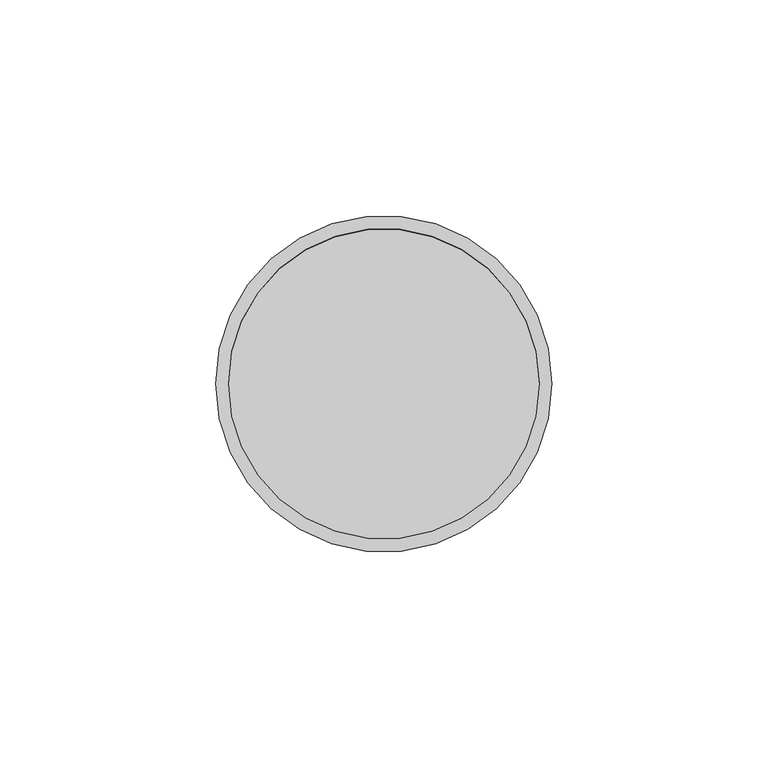
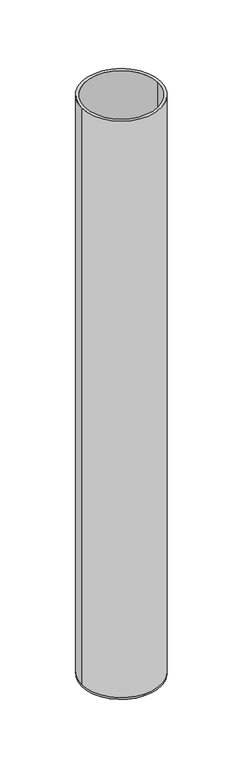
"""IFC4 building model written with IfcOpenShell, lengths in millimetres: beam geometry."""

import ifcopenshell
import ifcopenshell.guid

model = None  # the IFC model being written
_history = None  # IfcOwnerHistory: only IFC2X3 demands one
_inside = {}  # id of a spatial element -> (the spatial element, [elements in it])
_under = {}  # id of a project, library or spatial element -> (it, [spatial elements below it])
_declared = {}  # id of a project -> (the project, [libraries it declares])
_typed = {}  # id of a type object -> (the type object, [elements of that type])
_made_of = {}  # id of a material, layer set ... -> (it, [elements and type objects made of it])


def new_model(schema):
    """Start an empty IFC model of exactly this schema.

    Asked for "IFC4X3", IfcOpenShell would pick the latest addendum, in which some entities
    have other attributes; the version numbers below select the first issue.
    IFC2X3 requires an IfcOwnerHistory on every rooted entity: one is made here for all.
    """
    global model, _history
    if schema == "IFC4X3":
        model = ifcopenshell.file(schema_version=(4, 3, 0, 0))
    else:
        model = ifcopenshell.file(schema=schema)
    _inside.clear()
    _under.clear()
    _declared.clear()
    _typed.clear()
    _made_of.clear()
    _history = None
    if model.schema == "IFC2X3":
        org = make("IfcOrganization", Name="unknown")
        user = make(
            "IfcPersonAndOrganization",
            ThePerson=make("IfcPerson", FamilyName="unknown"),
            TheOrganization=org,
        )
        app = make(
            "IfcApplication",
            ApplicationDeveloper=org,
            Version="unknown",
            ApplicationFullName="unknown",
            ApplicationIdentifier="unknown",
        )
        _history = make(
            "IfcOwnerHistory",
            OwningUser=user,
            OwningApplication=app,
            ChangeAction="ADDED",
            CreationDate=0,
        )
    return model


def make(cls, **values):
    """One entity of the class cls with the attributes given. An attribute that is None is left unset."""
    return model.create_entity(
        cls, **{name: value for name, value in values.items() if value is not None}
    )


def rooted(cls, **values):
    """An entity with a GlobalId (a new one), such as an element, a storey or a relation."""
    return make(cls, GlobalId=ifcopenshell.guid.new(), OwnerHistory=_history, **values)


def si_unit(unit_type, name, prefix=None):
    """IfcSIUnit, for example si_unit("LENGTHUNIT", "METRE", prefix="MILLI")."""
    return make("IfcSIUnit", UnitType=unit_type, Prefix=prefix, Name=name)


def assignment(units):
    """IfcUnitAssignment: the units of a project."""
    return None if units is None else make("IfcUnitAssignment", Units=units)


def point(xyz):
    """IfcCartesianPoint."""
    return None if xyz is None else make("IfcCartesianPoint", Coordinates=xyz)


def direction(xyz):
    """IfcDirection."""
    return None if xyz is None else make("IfcDirection", DirectionRatios=xyz)


def frame(location, z_axis=None, x_axis=None):
    """IfcAxis2Placement3D, a coordinate frame: its origin and axes. An axis left out is left unset."""
    return make(
        "IfcAxis2Placement3D",
        Location=point(location),
        Axis=direction(z_axis),
        RefDirection=direction(x_axis),
    )


def origin():
    """The frame at (0, 0, 0) with its axes left unset."""
    return frame((0.0, 0.0, 0.0))


def place(relative_to, where):
    """IfcLocalPlacement: puts the frame where relative to a parent placement (None: the world)."""
    return make(
        "IfcLocalPlacement", PlacementRelTo=relative_to, RelativePlacement=where
    )


def context(
    kind, dimensions, precision=None, world=None, true_north=None, identifier=None
):
    """IfcGeometricRepresentationContext, for example the 3D "Model" context."""
    return make(
        "IfcGeometricRepresentationContext",
        ContextIdentifier=identifier,
        ContextType=kind,
        CoordinateSpaceDimension=dimensions,
        Precision=precision,
        WorldCoordinateSystem=world,
        TrueNorth=true_north,
    )


def project(units=None, contexts=None):
    """IfcProject with its units and contexts."""
    return rooted(
        "IfcProject",
        Name="project",
        RepresentationContexts=contexts,
        UnitsInContext=assignment(units),
    )


def spatial(cls, under=None, at=None, **own):
    """A site, building, storey or space (cls), placed at a placement, below another one or the project."""
    s = rooted(cls, ObjectPlacement=at, **own)
    if under is not None:
        _under.setdefault(under.id(), (under, []))[1].append(s)
    return s


def polyline(points):
    """IfcPolyline through the points."""
    return make("IfcPolyline", Points=[point(p) for p in points])


def circle_curve(where, radius):
    """IfcCircle in the frame where."""
    return make("IfcCircle", Position=where, Radius=radius)


def shape(context_of_items, identifier, shape_type, items):
    """IfcShapeRepresentation: the items that make up one representation, for example the "Body"."""
    return make(
        "IfcShapeRepresentation",
        ContextOfItems=context_of_items,
        RepresentationIdentifier=identifier,
        RepresentationType=shape_type,
        Items=items,
    )


def source(mapping_origin, context_of_items, identifier, shape_type, items):
    """IfcRepresentationMap: a shape defined once, which mapped items show again and again."""
    return make(
        "IfcRepresentationMap",
        MappingOrigin=mapping_origin,
        MappedRepresentation=shape(context_of_items, identifier, shape_type, items),
    )


def transform(
    local_origin,
    x_axis=None,
    y_axis=None,
    z_axis=None,
    scale=None,
    scale2=None,
    scale3=None,
    uniform=True,
):
    """IfcCartesianTransformationOperator3D, or its non-uniform kind. x_axis, y_axis, z_axis: its Axis1, 2, 3."""
    if uniform:
        return make(
            "IfcCartesianTransformationOperator3D",
            Axis1=direction(x_axis),
            Axis2=direction(y_axis),
            LocalOrigin=point(local_origin),
            Scale=scale,
            Axis3=direction(z_axis),
        )
    return make(
        "IfcCartesianTransformationOperator3DnonUniform",
        Axis1=direction(x_axis),
        Axis2=direction(y_axis),
        LocalOrigin=point(local_origin),
        Scale=scale,
        Axis3=direction(z_axis),
        Scale2=scale2,
        Scale3=scale3,
    )


def mapped(mapping_source, mapping_target):
    """IfcMappedItem: shows the shape of a source again, moved by a transform."""
    return make(
        "IfcMappedItem", MappingSource=mapping_source, MappingTarget=mapping_target
    )


def made_of(thing, what):
    """Note that an element or type object is made of a material, layer set ...; save() writes the relation."""
    if what is not None:
        _made_of.setdefault(what.id(), (what, []))[1].append(thing)
    return thing


def element(
    cls,
    number,
    at=None,
    inside=None,
    cuts=None,
    type_object=None,
    material=None,
    context=None,
    identifier="Body",
    shape_type=None,
    held_by="IfcProductDefinitionShape",
    body=None,
    shapes=None,
    **own,
):
    """One element of the class cls, such as IfcWall. Its Tag is "e" and its number.

    at: its placement. inside: the storey or other place that contains it. cuts: it is an
    opening in that element (IfcRelVoidsElement). A single representation is given by context,
    identifier, shape_type and body (its items); several are given by shapes. held_by: the class
    of the entity that holds the representations. save() writes the other relations.
    """
    e = rooted(cls, Tag="e%d" % number, ObjectPlacement=at, **own)
    if body is not None:
        shapes = [shape(context, identifier, shape_type, body)]
    if shapes is not None:
        e.Representation = make(held_by, Representations=shapes)
    if inside is not None:
        _inside.setdefault(inside.id(), (inside, []))[1].append(e)
    if cuts is not None:
        rooted(
            "IfcRelVoidsElement", RelatingBuildingElement=cuts, RelatedOpeningElement=e
        )
    if type_object is not None:
        _typed.setdefault(type_object.id(), (type_object, []))[1].append(e)
    return made_of(e, material)


def aggregate(whole, parts):
    """IfcRelAggregates: a whole, such as a stair, and the parts it consists of."""
    return rooted("IfcRelAggregates", RelatingObject=whole, RelatedObjects=parts)


def save(model, path):
    """Write the relations noted so far, then the file.

    IfcRelAggregates (storeys below a building ...), IfcRelContainedInSpatialStructure (elements
    in a storey), IfcRelDefinesByType, IfcRelAssociatesMaterial and IfcRelDeclares: one each for
    every whole, place, type object, material and project.
    """
    for whole, parts in _under.values():
        aggregate(whole, parts)
    for where, things in _inside.values():
        rooted(
            "IfcRelContainedInSpatialStructure",
            RelatedElements=things,
            RelatingStructure=where,
        )
    for kind, things in _typed.values():
        rooted("IfcRelDefinesByType", RelatedObjects=things, RelatingType=kind)
    for what, things in _made_of.values():
        rooted("IfcRelAssociatesMaterial", RelatedObjects=things, RelatingMaterial=what)
    for by, libraries in _declared.values():
        rooted("IfcRelDeclares", RelatingContext=by, RelatedDefinitions=libraries)
    model.write(path)


def plane_surface(at):
    """IfcPlane: the flat surface through the origin of the frame at, square to its z axis."""
    return make("IfcPlane", Position=at)


def cylinder_surface(at, radius):
    """IfcCylindricalSurface: all points at the distance radius from the z axis of the frame at."""
    return make("IfcCylindricalSurface", Position=at, Radius=radius)


def revolved_surface(curve, axis_point, axis_direction):
    """IfcSurfaceOfRevolution: the curve turned about the line through axis_point along axis_direction."""
    return make(
        "IfcSurfaceOfRevolution",
        SweptCurve=make("IfcArbitraryOpenProfileDef", ProfileType="CURVE", Curve=curve),
        AxisPosition=make("IfcAxis1Placement", Location=point(axis_point), Axis=direction(axis_direction)),
    )


def advanced_brep(points, edges, surfaces, faces):
    """IfcAdvancedBrep: a solid bounded by faces that lie on surfaces and meet in shared edges.

    An edge is (start, end): straight between two places in points (the first is 0);
    or (start, end, curve); or (start, end, curve, False) where it runs against its curve.
    A face is (place in surfaces, loops), or (place, loops, False) where it looks against
    its surface's normal. A loop lists edges by number (the first is 1), with a minus sign
    where the edge is run from its end to its start. The first loop is the outer one.
    """
    corners = [point(p) for p in points]
    vertices = [make("IfcVertexPoint", VertexGeometry=c) for c in corners]
    made = []
    for start, end, *more in edges:
        made.append(
            make(
                "IfcEdgeCurve",
                EdgeStart=vertices[start],
                EdgeEnd=vertices[end],
                EdgeGeometry=more[0] if more else make("IfcPolyline", Points=[corners[start], corners[end]]),
                SameSense=more[1] if len(more) > 1 else True,
            )
        )
    hull = []
    for where, loops, *sense in faces:
        bounds = []
        for j, loop in enumerate(loops):
            ring = [make("IfcOrientedEdge", EdgeElement=made[abs(k) - 1], Orientation=k > 0) for k in loop]
            bounds.append(
                make(
                    "IfcFaceOuterBound" if j == 0 else "IfcFaceBound",
                    Bound=make("IfcEdgeLoop", EdgeList=ring),
                    Orientation=True,
                )
            )
        hull.append(make("IfcAdvancedFace", Bounds=bounds, FaceSurface=surfaces[where], SameSense=sense[0] if sense else True))
    return make("IfcAdvancedBrep", Outer=make("IfcClosedShell", CfsFaces=hull))


def beam_afc0ba4a(model_context):
    return source(origin(), model_context, "Body", "AdvancedBrep", [
        advanced_brep(
        [(39.0, 0.0, 0.0), (-39.0, 0.0, 0.0), (36.0, 0.0, 0.0), (-36.0, 0.0, 0.0), (36.0, 0.0, -598.0), (-36.0, 0.0, -598.0), (39.0, 0.0, -598.0), (0.0, 39.0, -598.0), (-39.0, 0.0, -598.0), (0.0, -39.0, -598.0), (0.0, 39.0, -600.0), (0.0, -39.0, -600.0)],
        [
            (0, 1, circle_curve(frame((0.0, 0.0, 0.0), z_axis=(0.0, 0.0, 1.0), x_axis=(-1.0, 0.0, 0.0)), 39.0)),
            (1, 0, circle_curve(frame((0.0, 0.0, 0.0), z_axis=(0.0, 0.0, 1.0), x_axis=(-1.0, 0.0, 0.0)), 39.0)),
            (2, 3, circle_curve(frame((0.0, 0.0, 0.0), z_axis=(0.0, 0.0, -1.0), x_axis=(-1.0, 0.0, 0.0)), 36.0)),
            (3, 2, circle_curve(frame((0.0, 0.0, 0.0), z_axis=(0.0, 0.0, -1.0), x_axis=(-1.0, 0.0, 0.0)), 36.0)),
            (2, 4),
            (4, 5, circle_curve(frame((0.0, 0.0, -598.0), z_axis=(0.0, 0.0, -1.0), x_axis=(-1.0, 0.0, 0.0)), 36.0)),
            (5, 3),
            (5, 4, circle_curve(frame((0.0, 0.0, -598.0), z_axis=(0.0, 0.0, -1.0), x_axis=(-1.0, 0.0, 0.0)), 36.0)),
            (0, 6),
            (6, 7, circle_curve(frame((0.0, 0.0, -598.0), z_axis=(0.0, 0.0, 1.0), x_axis=(-1.0, 0.0, 0.0)), 39.0)),
            (7, 8, circle_curve(frame((0.0, 0.0, -598.0), z_axis=(0.0, 0.0, 1.0), x_axis=(-1.0, 0.0, 0.0)), 39.0)),
            (8, 1),
            (8, 9, circle_curve(frame((0.0, 0.0, -598.0), z_axis=(0.0, 0.0, 1.0), x_axis=(-1.0, 0.0, 0.0)), 39.0)),
            (9, 6, circle_curve(frame((0.0, 0.0, -598.0), z_axis=(0.0, 0.0, 1.0), x_axis=(-1.0, 0.0, 0.0)), 39.0)),
            (10, 11, circle_curve(frame((0.0, 0.0, -600.0), z_axis=(0.0, 0.0, -1.0), x_axis=(0.0, -1.0, 0.0)), 39.0)),
            (11, 10, circle_curve(frame((0.0, 0.0, -600.0), z_axis=(0.0, 0.0, -1.0), x_axis=(0.0, -1.0, 0.0)), 39.0)),
            (11, 9),
            (7, 10),
        ],
        [
            plane_surface(frame((0.0, 0.0, 0.0), z_axis=(0.0, 0.0, 1.0), x_axis=(0.0, -1.0, 0.0))),
            revolved_surface(polyline([(-36.0, 0.0, 0.0), (-36.0, 0.0, -598.0)]), (0.0, 0.0, -598.0), (0.0, 0.0, 1.0)),
            cylinder_surface(frame((0.0, 0.0, -598.0), z_axis=(0.0, 0.0, -1.0), x_axis=(-1.0, 0.0, 0.0)), 39.0),
            plane_surface(frame((0.0, 0.0, -598.0), z_axis=(0.0, 0.0, 1.0), x_axis=(0.0, -1.0, 0.0))),
            plane_surface(frame((0.0, 0.0, -600.0), z_axis=(0.0, 0.0, -1.0), x_axis=(0.0, -1.0, 0.0))),
            cylinder_surface(frame((0.0, 0.0, -598.0), z_axis=(0.0, 0.0, 1.0), x_axis=(0.0, -1.0, 0.0)), 39.0),
        ],
        [
            (0, [[1, 2], [3, 4]]),
            (1, [[-3, 5, 6, 7]]),
            (1, [[-4, -7, 8, -5]]),
            (2, [[-1, 9, 10, 11, 12]]),
            (2, [[-2, -12, 13, 14, -9]]),
            (3, [[-6, -8]]),
            (4, [[15, 16]]),
            (5, [[-16, 17, -13, -11, 18]]),
            (5, [[-15, -18, -10, -14, -17]]),
        ],
    ),
    ])


if __name__ == "__main__":
    model = new_model("IFC4")
    model_context = context("Model", 3, world=origin())
    ifc_project = project(units=[si_unit("LENGTHUNIT", "METRE", prefix="MILLI")], contexts=[model_context])
    site = spatial("IfcSite", under=ifc_project)
    building = spatial("IfcBuilding", under=site)
    placement = place(None, origin())
    beam_shape = beam_afc0ba4a(model_context)
    element("IfcBeam", 1, at=placement, inside=building, context=model_context, shape_type="MappedRepresentation", body=[
        mapped(beam_shape, transform((0.0, 0.0, 0.0), x_axis=(1.0, 0.0, 0.0), y_axis=(0.0, 1.0, 0.0), z_axis=(0.0, 0.0, 1.0))),
    ])
    save(model, "model.ifc")
